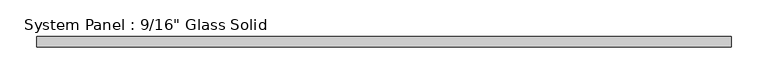
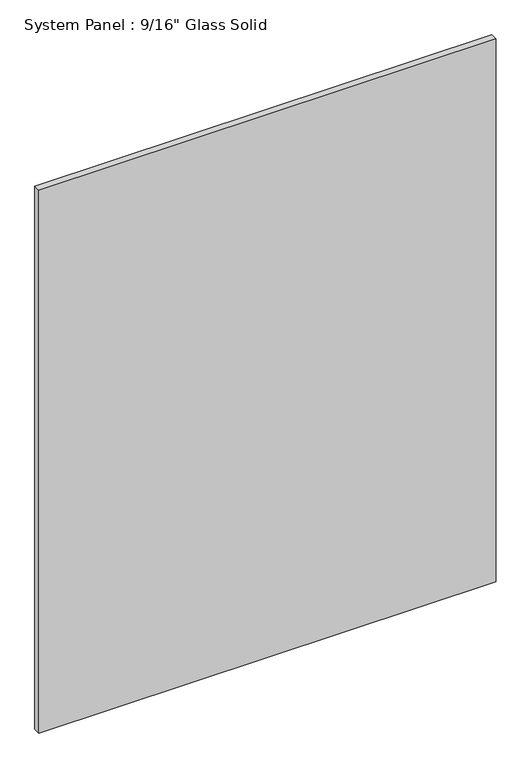
"""IFC4 building model written with IfcOpenShell, lengths in millimetres: plate geometry."""

from ifc_helpers import new_model, si_unit, origin, origin_with_axes, place, context, project, spatial, polyline, outline, extrude, source, transform, mapped, element, save


def plate_e203bad2(model_context):
    return source(origin(), model_context, "Body", "SweptSolid", [
        extrude(outline(polyline([(470.4805865, -7.14375), (-470.4805865, -7.14375), (-470.4805865, 7.14375), (470.4805865, 7.14375), (470.4805865, -7.14375)])), origin_with_axes(), (0.0, 0.0, 1.0), 1181.1017704),
    ])


if __name__ == "__main__":
    model = new_model("IFC4")
    model_context = context("Model", 3, world=origin())
    ifc_project = project(units=[si_unit("LENGTHUNIT", "METRE", prefix="MILLI")], contexts=[model_context])
    site = spatial("IfcSite", under=ifc_project)
    building = spatial("IfcBuilding", under=site)
    placement = place(None, origin())
    plate_shape = plate_e203bad2(model_context)
    element("IfcPlate", 1, ObjectType="System Panel : 9/16\" Glass Solid", at=placement, inside=building, context=model_context, shape_type="MappedRepresentation", body=[
        mapped(plate_shape, transform((0.0, 0.0, 0.0), x_axis=(1.0, 0.0, 0.0), y_axis=(0.0, 1.0, 0.0), z_axis=(0.0, 0.0, 1.0))),
    ])
    save(model, "model.ifc")
